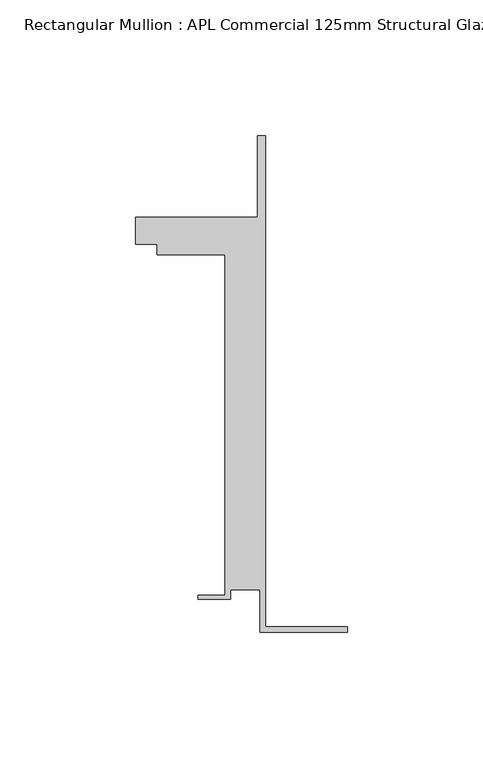
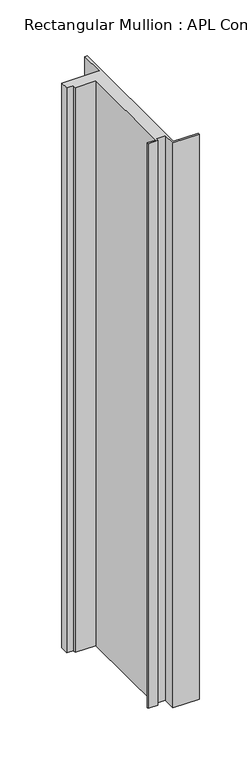
"""IFC4 building model written with IfcOpenShell, lengths in millimetres: member geometry, Rectangular Mullion : APL Commercial 125mm Structural Glaze SubSill."""

from ifc_helpers import new_model, si_unit, frame, origin, place, context, project, spatial, polyline, outline, extrude, source, transform, mapped, element, save


def rectangular_mullion_apl_commercial_125mm_structural_glaze_040c6491(model_context):
    return source(origin(), model_context, "Body", "SweptSolid", [
        extrude(outline(polyline([(-32.1465839, -41.25), (-32.1465839, -25.75), (-43.1465839, -25.75), (-43.1465839, -29.25), (-55.1465839, -29.25), (-55.1465839, -27.75), (-45.1465839, -27.75), (-45.1465839, 97.75), (-70.1466122, 97.75), (-70.1466122, 101.75), (-78.1466122, 101.75), (-78.1466122, 111.75), (-33.1466122, 111.75), (-33.1466122, 141.75), (-30.1465839, 141.75), (-30.1465839, -39.25), (0.0, -39.25), (0.0, -41.25), (-32.1465839, -41.25)])), frame((0.0, 0.0, -724.0), z_axis=(0.0, 0.0, 1.0), x_axis=(1.0, 0.0, 0.0)), (0.0, 0.0, 1.0), 724.0),
    ])


if __name__ == "__main__":
    model = new_model("IFC4")
    model_context = context("Model", 3, world=origin())
    ifc_project = project(units=[si_unit("LENGTHUNIT", "METRE", prefix="MILLI")], contexts=[model_context])
    site = spatial("IfcSite", under=ifc_project)
    building = spatial("IfcBuilding", under=site)
    placement = place(None, origin())
    rectangular_mullion_apl_commercial_125mm_structural_glaze_shape = rectangular_mullion_apl_commercial_125mm_structural_glaze_040c6491(model_context)
    element("IfcMember", 1, ObjectType="Rectangular Mullion : APL Commercial 125mm Structural Glaze SubSill", at=placement, inside=building, context=model_context, shape_type="MappedRepresentation", body=[
        mapped(rectangular_mullion_apl_commercial_125mm_structural_glaze_shape, transform((0.0, 0.0, 0.0), x_axis=(1.0, 0.0, 0.0), y_axis=(0.0, 1.0, 0.0), z_axis=(0.0, 0.0, 1.0))),
    ])
    save(model, "model.ifc")
